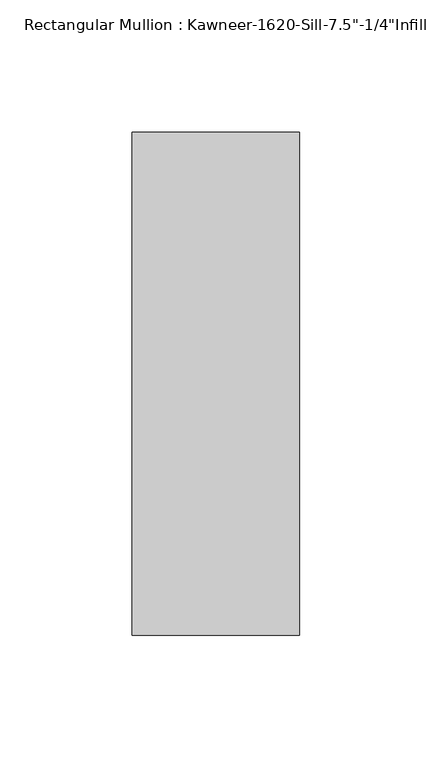
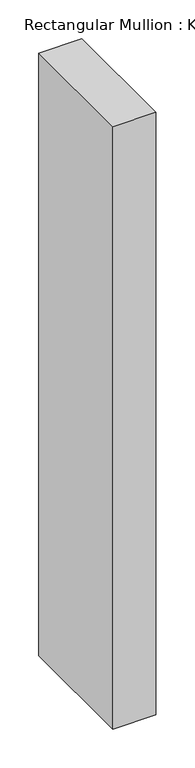
"""IFC4 building model written with IfcOpenShell, lengths in millimetres: member geometry."""

from ifc_helpers import new_model, si_unit, frame, origin, place, context, project, spatial, polyline, outline, extrude, source, transform, mapped, element, save


def member_a500c669(model_context):
    return source(origin(), model_context, "Body", "SweptSolid", [
        extrude(outline(polyline([(-63.5, 28.575), (0.0, 28.575), (0.0, -161.925), (-63.5, -161.925), (-63.5, 28.575)])), frame((0.0, 0.0, -945.5198107), z_axis=(0.0, 0.0, 1.0), x_axis=(1.0, 0.0, 0.0)), (0.0, 0.0, 1.0), 945.5198107),
    ])


if __name__ == "__main__":
    model = new_model("IFC4")
    model_context = context("Model", 3, world=origin())
    ifc_project = project(units=[si_unit("LENGTHUNIT", "METRE", prefix="MILLI")], contexts=[model_context])
    site = spatial("IfcSite", under=ifc_project)
    building = spatial("IfcBuilding", under=site)
    placement = place(None, origin())
    member_shape = member_a500c669(model_context)
    element("IfcMember", 1, ObjectType="Rectangular Mullion : Kawneer-1620-Sill-7.5\"-1/4\"Infill", at=placement, inside=building, context=model_context, shape_type="MappedRepresentation", body=[
        mapped(member_shape, transform((0.0, 0.0, 0.0), x_axis=(1.0, 0.0, 0.0), y_axis=(0.0, 1.0, 0.0), z_axis=(0.0, 0.0, 1.0))),
    ])
    save(model, "model.ifc")
